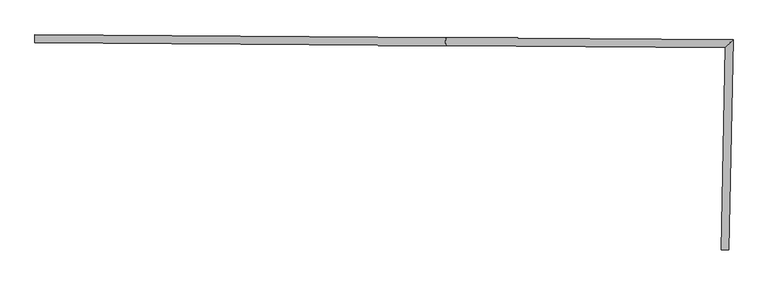
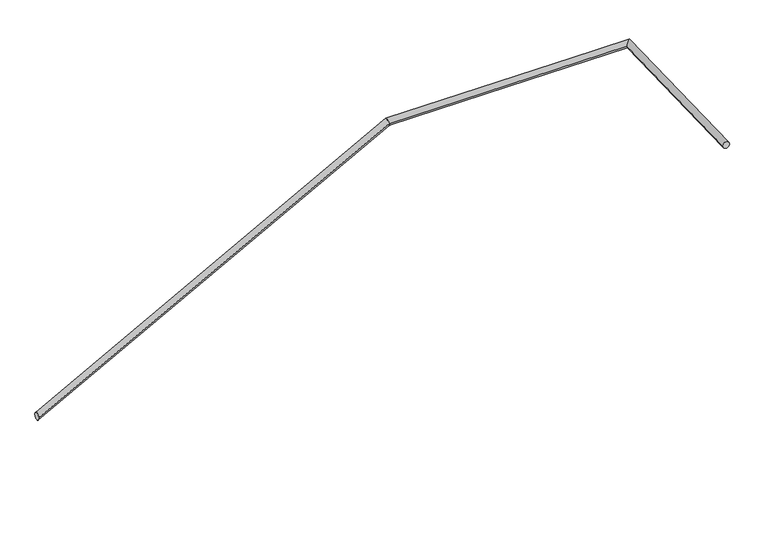
"""IFC4 building model written with IfcOpenShell, lengths in millimetres: railing geometry."""

from ifc_helpers import new_model, si_unit, frame, origin, place, context, project, spatial, circle_curve, ellipse_curve, source, transform, mapped, element, save
from ifc_brep_helpers import plane_surface, cylinder_surface, advanced_brep


def railing_cbbd5eb1(model_context):
    return source(origin(), model_context, "Body", "AdvancedBrep", [
        advanced_brep(
        [(-1246.9770073, -35410.5183622, -4180.54172), (-1246.6984482, -35370.5193321, -4180.54172), (852.4913317, -35425.1393708, -3034.3300331), (852.7698909, -35385.1403407, -3034.3300331), (2274.3696014, -35435.0415417, -3034.3300331), (2315.1677375, -35395.324696, -3034.3300331), (2253.8045512, -36468.651695, -3034.3300331), (2293.7966363, -36469.4473908, -3034.3300331)],
        [
            (0, 1, ellipse_curve(frame((-1246.8377277, -35390.5188471, -4180.54172), z_axis=(-0.9999757512021473, 0.006963979300750112, 0.0), x_axis=(0.0, 0.0, -0.9999999999999999)), 22.7864044, 20.0)),
            (1, 0, ellipse_curve(frame((-1246.8377277, -35390.5188471, -4180.54172), z_axis=(-0.9999757512021473, 0.006963979300750112, 0.0), x_axis=(0.0, 0.0, -0.9999999999999999)), 22.7864044, 20.0)),
            (0, 2),
            (2, 3, ellipse_curve(frame((852.6306113, -35405.1398557, -3034.3300331), z_axis=(-0.9689234491645209, 0.006747726468248445, -0.247268715867248), x_axis=(0.24726271989814225, -0.001721974219023458, -0.9689469449631193)), 20.640965, 20.0)),
            (3, 1),
            (3, 2, ellipse_curve(frame((852.6306113, -35405.1398557, -3034.3300331), z_axis=(-0.9689234491645209, 0.006747726468248445, -0.247268715867248), x_axis=(0.24726271989814225, -0.001721974219023458, -0.9689469449631193)), 20.640965, 20.0)),
            (2, 4),
            (4, 5, ellipse_curve(frame((2294.7686694, -35415.1831189, -3034.3300331), z_axis=(-0.6975476637904876, 0.716538384694381, 0.0), x_axis=(-0.7165383846943811, -0.6975476637904876, 0.0)), 28.4689117, 20.0)),
            (5, 3),
            (5, 4, ellipse_curve(frame((2294.7686694, -35415.1831189, -3034.3300331), z_axis=(-0.6975476637904876, 0.716538384694381, 0.0), x_axis=(-0.7165383846943811, -0.6975476637904876, 0.0)), 28.4689117, 20.0)),
            (6, 7, circle_curve(frame((2273.8005937, -36469.0495429, -3034.3300331), z_axis=(-0.019892394532034893, -0.9998021267429781, 0.0), x_axis=(0.9998021267429781, -0.019892394532034893, 0.0)), 20.0)),
            (7, 6, circle_curve(frame((2273.8005937, -36469.0495429, -3034.3300331), z_axis=(-0.019892394532034893, -0.9998021267429781, 0.0), x_axis=(0.9998021267429781, -0.019892394532034893, 0.0)), 20.0)),
            (4, 6),
            (7, 5),
        ],
        [
            plane_surface(frame((-1246.8377277, -35390.5188471, -4180.54172), z_axis=(-0.9999757512021473, 0.006963979300750112, 0.0), x_axis=(0.006963979300750112, 0.9999757512021473, 0.0))),
            cylinder_surface(frame((-1246.8377277, -35390.5188471, -4180.54172), z_axis=(-0.8776950807400343, 0.0061123985929616735, -0.4791805336490471), x_axis=(0.006963979300750113, 0.9999757512021473, 0.0)), 20.0),
            cylinder_surface(frame((852.6306113, -35405.1398557, -3034.3300331), z_axis=(-0.9999757512021473, 0.006963979300750545, 0.0), x_axis=(0.006963979300750545, 0.9999757512021473, 0.0)), 20.0),
            plane_surface(frame((2273.8005937, -36469.0495429, -3034.3300331), z_axis=(-0.019892394532034903, -0.9998021267429781, 0.0), x_axis=(0.9998021267429781, -0.019892394532034903, 0.0))),
            cylinder_surface(frame((2294.7686694, -35415.1831189, -3034.3300331), z_axis=(0.019892394532034893, 0.9998021267429781, 0.0), x_axis=(0.9998021267429781, -0.019892394532034893, 0.0)), 20.0),
        ],
        [
            (0, [[1, 2]]),
            (1, [[-1, 3, 4, 5]]),
            (1, [[-2, -5, 6, -3]]),
            (2, [[-4, 7, 8, 9]]),
            (2, [[-6, -9, 10, -7]]),
            (3, [[11, 12]]),
            (4, [[-8, 13, -12, 14]]),
            (4, [[-10, -14, -11, -13]]),
        ],
    ),
    ])


if __name__ == "__main__":
    model = new_model("IFC4")
    model_context = context("Model", 3, world=origin())
    ifc_project = project(units=[si_unit("LENGTHUNIT", "METRE", prefix="MILLI")], contexts=[model_context])
    site = spatial("IfcSite", under=ifc_project)
    building = spatial("IfcBuilding", under=site)
    placement = place(None, origin())
    railing_shape = railing_cbbd5eb1(model_context)
    element("IfcRailing", 1, at=placement, inside=building, context=model_context, shape_type="MappedRepresentation", body=[
        mapped(railing_shape, transform((0.0, 0.0, 0.0), x_axis=(1.0, 0.0, 0.0), y_axis=(0.0, 1.0, 0.0), z_axis=(0.0, 0.0, 1.0))),
    ])
    save(model, "model.ifc")
